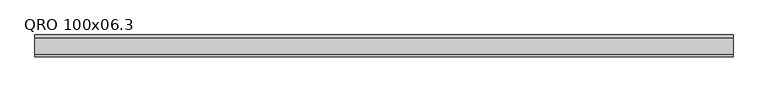
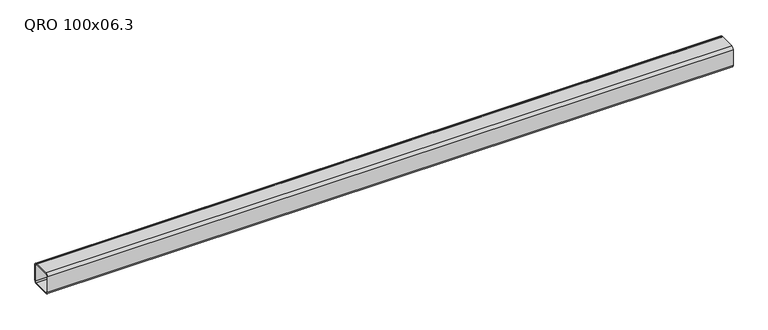
"""IFC4 building model written with IfcOpenShell, lengths in millimetres: beam geometry, QRO 100x06.3."""

from ifc_helpers import new_model, si_unit, point, frame, frame_2d, origin, place, context, project, spatial, polyline, circle_curve, trimmed, segment, composite_curve, outline, extrude, source, transform, mapped, element, save


def qro_100x06_3_9599b671(model_context):
    return source(origin(), model_context, "Body", "SweptSolid", [
        extrude(outline(composite_curve([segment(polyline([(50.0, 38.0), (50.0, -38.0)]), True, "CONTINUOUS"), segment(trimmed(circle_curve(frame_2d((38.0, -38.0)), 12.0), [point((50.0, -38.0))], [point((38.0, -50.0))], False, "CARTESIAN"), True, "CONTINUOUS"), segment(polyline([(38.0, -50.0), (-38.0, -50.0)]), True, "CONTINUOUS"), segment(trimmed(circle_curve(frame_2d((-38.0, -38.0)), 12.0), [point((-38.0, -50.0))], [point((-50.0, -38.0))], False, "CARTESIAN"), True, "CONTINUOUS"), segment(polyline([(-50.0, -38.0), (-50.0, 38.0)]), True, "CONTINUOUS"), segment(trimmed(circle_curve(frame_2d((-38.0, 38.0)), 12.0), [point((-50.0, 38.0))], [point((-38.0, 50.0))], False, "CARTESIAN"), True, "CONTINUOUS"), segment(polyline([(-38.0, 50.0), (38.0, 50.0)]), True, "CONTINUOUS"), segment(trimmed(circle_curve(frame_2d((38.0, 38.0)), 12.0), [point((38.0, 50.0))], [point((50.0, 38.0))], False, "CARTESIAN"), True, "CONTINUOUS")], self_intersect=False), holes=[composite_curve([segment(trimmed(circle_curve(frame_2d((-38.0, 38.0)), 6.0), [point((-38.0, 44.0))], [point((-44.0, 38.0))], True, "CARTESIAN"), True, "CONTINUOUS"), segment(polyline([(-44.0, 38.0), (-44.0, -38.0)]), True, "CONTINUOUS"), segment(trimmed(circle_curve(frame_2d((-38.0, -38.0)), 6.0), [point((-44.0, -38.0))], [point((-38.0, -44.0))], True, "CARTESIAN"), True, "CONTINUOUS"), segment(polyline([(-38.0, -44.0), (38.0, -44.0)]), True, "CONTINUOUS"), segment(trimmed(circle_curve(frame_2d((38.0, -38.0)), 6.0), [point((38.0, -44.0))], [point((44.0, -38.0))], True, "CARTESIAN"), True, "CONTINUOUS"), segment(polyline([(44.0, -38.0), (44.0, 38.0)]), True, "CONTINUOUS"), segment(trimmed(circle_curve(frame_2d((38.0, 38.0)), 6.0), [point((44.0, 38.0))], [point((38.0, 44.0))], True, "CARTESIAN"), True, "CONTINUOUS"), segment(polyline([(38.0, 44.0), (-38.0, 44.0)]), True, "CONTINUOUS")], self_intersect=False)]), frame((-1562.6645228, 0.0, 0.0), z_axis=(1.0, 0.0, 0.0), x_axis=(0.0, 1.0, 0.0)), (0.0, 0.0, 1.0), 3179.1705811),
    ])


if __name__ == "__main__":
    model = new_model("IFC4")
    model_context = context("Model", 3, world=origin())
    ifc_project = project(units=[si_unit("LENGTHUNIT", "METRE", prefix="MILLI")], contexts=[model_context])
    site = spatial("IfcSite", under=ifc_project)
    building = spatial("IfcBuilding", under=site)
    placement = place(None, origin())
    qro_100x06_3_shape = qro_100x06_3_9599b671(model_context)
    element("IfcBeam", 1, ObjectType="QRO 100x06.3", at=placement, inside=building, context=model_context, shape_type="MappedRepresentation", body=[
        mapped(qro_100x06_3_shape, transform((0.0, 0.0, 0.0), x_axis=(1.0, 0.0, 0.0), y_axis=(0.0, 1.0, 0.0), z_axis=(0.0, 0.0, 1.0))),
    ])
    save(model, "model.ifc")
